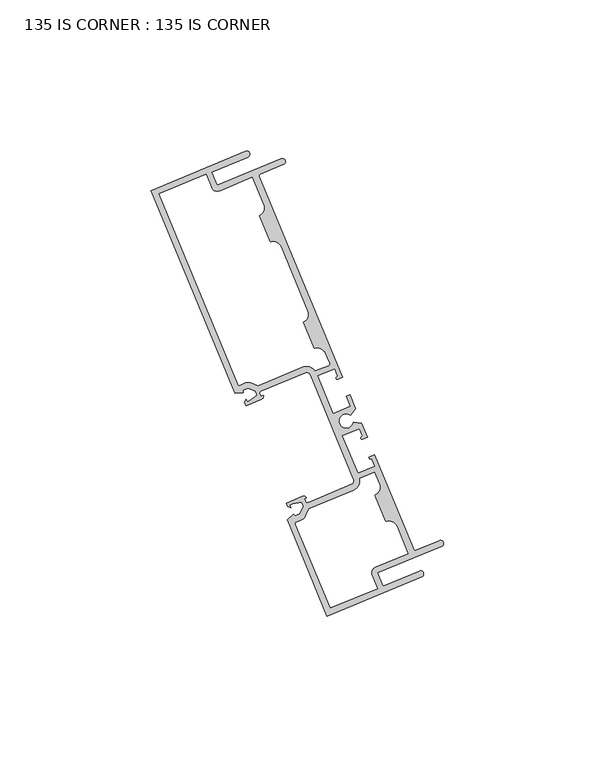
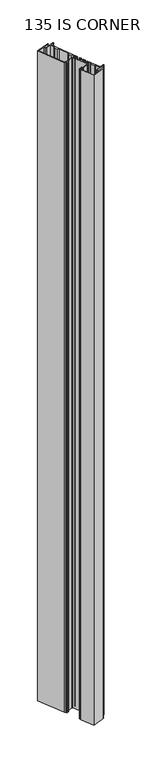
"""IFC4 building model written with IfcOpenShell, lengths in millimetres: plate geometry, 135 IS CORNER : 135 IS CORNER."""

from ifc_helpers import new_model, si_unit, frame, origin, place, context, project, spatial, polyline, circle_curve, source, transform, mapped, element, save
from ifc_brep_helpers import plane_surface, cylinder_surface, revolved_surface, extruded_surface, spline_curve, advanced_brep


def plate_135_is_corner_135_is_corner_d81ec4cd(model_context):
    return source(origin(), model_context, "Body", "AdvancedBrep", [
        advanced_brep(
        [(-269.9439047, 89.227782, 1710.2666667), (-301.2685576, 76.2436992, 1710.2666667), (-273.4814563, 9.2061335, 1710.2666667), (-270.7259527, 9.357618, 1710.2666667), (-270.7688117, 10.1372239, 1710.2666667), (-269.0825018, 10.8362001, 1710.2666667), (-266.6278781, 9.8189719, 1710.2666667), (-266.0634487, 8.4572618, 1710.2666667), (-268.5801592, 6.701499, 1710.2666667), (-269.4717973, 6.3319146, 1710.2666667), (-269.8328359, 7.2029356, 1710.2666667), (-270.2730943, 6.1393213, 1710.2666667), (-269.8346975, 5.0816703, 1710.2666667), (-264.6246881, 7.2412215, 1710.2666667), (-264.1025658, 8.5026099, 1710.2666667), (-264.8937479, 8.1746645, 1710.2666667), (-265.2536064, 9.0428384, 1710.2666667), (-264.91015, 9.87259, 1710.2666667), (-250.1695251, 15.9825857, 1710.2666667), (-248.5100219, 15.295673, 1710.2666667), (-234.1544893, -19.337661, 1710.2666667), (-234.841402, -20.9971642, 1710.2666667), (-249.3070563, -26.9931844, 1710.2666667), (-250.1368079, -26.6497281, 1710.2666667), (-250.4966664, -25.7815542, 1710.2666667), (-249.7742269, -25.4821027, 1710.2666667), (-251.0356153, -24.9599803, 1710.2666667), (-256.4518526, -27.2050131, 1710.2666667), (-256.0134558, -28.2626641, 1710.2666667), (-254.9498415, -28.7029225, 1710.2666667), (-255.3108801, -27.8319015, 1710.2666667), (-254.419242, -27.4623172, 1710.2666667), (-251.398411, -26.9227665, 1710.2666667), (-250.8339815, -28.2844766, 1710.2666667), (-251.8491713, -30.739944, 1710.2666667), (-253.5354812, -31.4389202, 1710.2666667), (-254.0567247, -30.8576049, 1710.2666667), (-256.1113737, -32.6999309, 1710.2666667), (-242.9131295, -64.5412574, 1710.2666667), (-211.5884766, -51.5571747, 1710.2666667), (-212.366549, -49.6800419, 1710.2666667), (-224.4036628, -54.669431, 1710.2666667), (-226.2321329, -50.258169, 1710.2666667), (-204.9970686, -41.4562253, 1710.2666667), (-205.775141, -39.5790926, 1710.2666667), (-214.0345251, -43.002611, 1710.2666667), (-227.2165316, -11.2004586, 1710.2666667), (-228.7534341, -11.8375053, 1710.2666667), (-228.0159669, -12.5884963, 1710.2666667), (-227.0198686, -14.9916259, 1710.2666667), (-232.7685877, -17.3744726, 1710.2666667), (-237.942769, -4.8915398, 1710.2666667), (-232.1940499, -2.5086931, 1710.2666667), (-231.19647, -4.915397, 1710.2666667), (-231.1863918, -5.9678911, 1710.2666667), (-229.6494894, -5.3308444, 1710.2666667), (-231.5694518, -0.6988532, 1710.2666667), (-234.1932171, -0.3540815, 1710.2666667), (-235.117178, 1.8750137, 1710.2666667), (-233.5067143, 3.9748752, 1710.2666667), (-235.4266768, 8.6068663, 1710.2666667), (-236.5998847, 8.1205711, 1710.2666667), (-235.2285322, 4.8121246, 1710.2666667), (-240.9772512, 2.429278, 1710.2666667), (-246.1514325, 14.9122108, 1710.2666667), (-240.4027135, 17.2950574, 1710.2666667), (-239.5883999, 15.3304912, 1710.2666667), (-239.6965584, 14.5632484, 1710.2666667), (-239.3950554, 13.8358594, 1710.2666667), (-237.8581529, 14.4729062, 1710.2666667), (-265.4262054, 80.9820075, 1710.2666667), (-265.1514403, 81.6458087, 1710.2666667), (-257.3613394, 84.8748091, 1710.2666667), (-258.1394118, 86.7519419, 1710.2666667), (-279.3744761, 77.9499981, 1710.2666667), (-281.2029461, 82.3612601, 1710.2666667), (-269.1658324, 87.3506492, 1710.2666667), (-267.7324979, 80.5759592, 1710.2666667), (-263.9928875, 71.5539899, 1710.2666667), (-265.5040955, 67.9030829, 1710.2666667), (-261.8568813, 59.1040231, 1710.2666667), (-258.2059742, 57.5928151, 1710.2666667), (-249.3991676, 36.3460187, 1710.2666667), (-250.9103756, 32.6951116, 1710.2666667), (-247.2631613, 23.8960519, 1710.2666667), (-243.6122543, 22.3848438, 1710.2666667), (-242.2166599, 19.0179129, 1710.2666667), (-242.491425, 18.3541116, 1710.2666667), (-246.8704688, 16.538996, 1710.2666667), (-250.9475975, 17.8597185, 1710.2666667), (-265.8336903, 11.6894263, 1710.2666667), (-268.0614399, 12.6126348, 1710.2666667), (-270.1036962, 12.6125587, 1710.2666667), (-271.8447367, 11.8908966, 1710.2666667), (-272.508538, 12.1656617, 1710.2666667), (-298.6133525, 75.1446388, 1710.2666667), (-283.0800789, 81.5831877, 1710.2666667), (-281.2516088, 77.1719257, 1710.2666667), (-278.5964037, 76.0728654, 1710.2666667), (-251.3142209, -32.7178509, 1710.2666667), (-249.8707811, -31.2731045, 1710.2666667), (-248.9494226, -29.0445892, 1710.2666667), (-234.0633297, -22.874297, 1710.2666667), (-232.1222284, -19.0313824, 1710.2666667), (-227.277573, -17.0232706, 1710.2666667), (-225.677686, -20.8830662, 1710.2666667), (-227.1888941, -24.5339732, 1710.2666667), (-223.5416798, -33.333033, 1710.2666667), (-219.8907728, -34.844241, 1710.2666667), (-216.1462994, -43.8779424, 1710.2666667), (-227.0102053, -48.3810363, 1710.2666667), (-228.1092656, -51.0362414, 1710.2666667), (-226.2807956, -55.4475034, 1710.2666667), (-241.8140691, -61.8860523, 1710.2666667), (-253.3300266, -34.1033143, 1710.2666667), (-253.0552615, -33.439513, 1710.2666667), (-269.9439047, 89.227782, 0.0), (-269.1658324, 87.3506492, 0.0), (-281.2029461, 82.3612601, 0.0), (-279.3744761, 77.9499981, 0.0), (-258.1394118, 86.7519419, 0.0), (-257.3613394, 84.8748091, 0.0), (-265.1514403, 81.6458087, 0.0), (-265.4262054, 80.9820075, 0.0), (-237.8581529, 14.4729062, 0.0), (-239.3950554, 13.8358594, 0.0), (-239.6965584, 14.5632484, 0.0), (-239.5883999, 15.3304912, 0.0), (-240.4027135, 17.2950574, 0.0), (-246.1514325, 14.9122108, 0.0), (-240.9772512, 2.429278, 0.0), (-235.2285322, 4.8121246, 0.0), (-236.5998847, 8.1205711, 0.0), (-235.4266768, 8.6068663, 0.0), (-233.5067143, 3.9748752, 0.0), (-235.117178, 1.8750137, 0.0), (-234.1932171, -0.3540815, 0.0), (-231.5694518, -0.6988532, 0.0), (-229.6494894, -5.3308444, 0.0), (-231.1863918, -5.9678911, 0.0), (-231.19647, -4.915397, 0.0), (-232.1940499, -2.5086931, 0.0), (-237.942769, -4.8915398, 0.0), (-232.7685877, -17.3744726, 0.0), (-227.0198686, -14.9916259, 0.0), (-228.0159669, -12.5884963, 0.0), (-228.7534341, -11.8375053, 0.0), (-227.2165316, -11.2004586, 0.0), (-214.0345251, -43.002611, 0.0), (-205.775141, -39.5790926, 0.0), (-204.9970686, -41.4562253, 0.0), (-226.2321329, -50.258169, 0.0), (-224.4036628, -54.669431, 0.0), (-212.366549, -49.6800419, 0.0), (-211.5884766, -51.5571747, 0.0), (-242.9131295, -64.5412574, 0.0), (-256.1113737, -32.6999309, 0.0), (-254.0567247, -30.8576049, 0.0), (-253.5354812, -31.4389202, 0.0), (-251.8491713, -30.739944, 0.0), (-250.8339815, -28.2844766, 0.0), (-251.398411, -26.9227665, 0.0), (-254.419242, -27.4623172, 0.0), (-255.3108801, -27.8319015, 0.0), (-254.9498415, -28.7029225, 0.0), (-256.0134558, -28.2626641, 0.0), (-256.4518526, -27.2050131, 0.0), (-251.0356153, -24.9599803, 0.0), (-249.7742269, -25.4821027, 0.0), (-250.4966664, -25.7815542, 0.0), (-250.1368079, -26.6497281, 0.0), (-249.3070563, -26.9931844, 0.0), (-234.841402, -20.9971642, 0.0), (-234.1544893, -19.337661, 0.0), (-248.5100219, 15.295673, 0.0), (-250.1695251, 15.9825857, 0.0), (-264.91015, 9.87259, 0.0), (-265.2536064, 9.0428384, 0.0), (-264.8937479, 8.1746645, 0.0), (-264.1025658, 8.5026099, 0.0), (-264.6246881, 7.2412215, 0.0), (-269.8346975, 5.0816703, 0.0), (-270.2730943, 6.1393213, 0.0), (-269.8328359, 7.2029356, 0.0), (-269.4717973, 6.3319146, 0.0), (-268.5801592, 6.701499, 0.0), (-266.0634487, 8.4572618, 0.0), (-266.6278781, 9.8189719, 0.0), (-269.0825018, 10.8362001, 0.0), (-270.7688117, 10.1372239, 0.0), (-270.7259527, 9.357618, 0.0), (-273.4814563, 9.2061335, 0.0), (-301.2685576, 76.2436992, 0.0), (-267.7324979, 80.5759592, 0.0), (-278.5964037, 76.0728654, 0.0), (-281.2516088, 77.1719257, 0.0), (-283.0800789, 81.5831877, 0.0), (-298.6133525, 75.1446388, 0.0), (-272.508538, 12.1656617, 0.0), (-271.8447367, 11.8908966, 0.0), (-270.1036962, 12.6125587, 0.0), (-268.0614399, 12.6126348, 0.0), (-265.8336903, 11.6894263, 0.0), (-250.9475975, 17.8597185, 0.0), (-246.8704688, 16.538996, 0.0), (-242.491425, 18.3541116, 0.0), (-242.2166599, 19.0179129, 0.0), (-243.6122543, 22.3848438, 0.0), (-247.2631613, 23.8960519, 0.0), (-250.9103756, 32.6951116, 0.0), (-249.3991676, 36.3460187, 0.0), (-258.2059742, 57.5928151, 0.0), (-261.8568813, 59.1040231, 0.0), (-265.5040955, 67.9030829, 0.0), (-263.9928875, 71.5539899, 0.0), (-251.3142209, -32.7178509, 0.0), (-253.0552615, -33.439513, 0.0), (-253.3300266, -34.1033143, 0.0), (-241.8140691, -61.8860523, 0.0), (-226.2807956, -55.4475034, 0.0), (-228.1092656, -51.0362414, 0.0), (-227.0102053, -48.3810363, 0.0), (-216.1462994, -43.8779424, 0.0), (-219.8907728, -34.844241, 0.0), (-223.5416798, -33.333033, 0.0), (-227.1888941, -24.5339732, 0.0), (-225.677686, -20.8830662, 0.0), (-227.277573, -17.0232706, 0.0), (-232.1222284, -19.0313824, 0.0), (-234.0633297, -22.874297, 0.0), (-248.9494226, -29.0445892, 0.0), (-249.8707811, -31.2731045, 0.0)],
        [
            (0, 1),
            (1, 2),
            (2, 3),
            (3, 4),
            (4, 5),
            (5, 6),
            (6, 7),
            (7, 8),
            (8, 9),
            (9, 10),
            (10, 11),
            (11, 12),
            (12, 13),
            (13, 14, circle_curve(frame((-264.9943211, 8.1329769, 1710.2666667), z_axis=(0.0, 0.0, 1.0), x_axis=(0.0, 1.0, 0.0)), 0.965327)),
            (14, 15),
            (15, 16),
            (16, 17, circle_curve(frame((-264.6670024, 9.285986, 1710.2666667), z_axis=(0.0, 0.0, -1.0), x_axis=(0.0, 1.0, 0.0)), 0.635)),
            (17, 18),
            (18, 19, circle_curve(frame((-249.6832298, 14.8093777, 1710.2666667), z_axis=(0.0, 0.0, -1.0), x_axis=(0.0, 1.0, 0.0)), 1.27)),
            (19, 20),
            (20, 21, circle_curve(frame((-235.3276973, -19.8239562, 1710.2666667), z_axis=(0.0, 0.0, -1.0), x_axis=(0.0, 1.0, 0.0)), 1.27)),
            (21, 22),
            (22, 23, circle_curve(frame((-249.550204, -26.4065805, 1710.2666667), z_axis=(0.0, 0.0, -1.0), x_axis=(0.0, 1.0, 0.0)), 0.635)),
            (23, 24),
            (24, 25),
            (25, 26, circle_curve(frame((-250.6659823, -25.8517357, 1710.2666667), z_axis=(0.0, 0.0, 1.0), x_axis=(0.0, 1.0, 0.0)), 0.965327)),
            (26, 27),
            (27, 28),
            (28, 29),
            (29, 30),
            (30, 31),
            (31, 32),
            (32, 33),
            (33, 34),
            (34, 35),
            (35, 36),
            (36, 37),
            (37, 38),
            (38, 39),
            (39, 40, circle_curve(frame((-211.9775128, -50.6186083, 1710.2666667), z_axis=(0.0, 0.0, 1.0), x_axis=(0.0, 1.0, 0.0)), 1.016)),
            (40, 41),
            (41, 42),
            (42, 43),
            (43, 44, circle_curve(frame((-205.3861048, -40.5176589, 1710.2666667), z_axis=(0.0, 0.0, 1.0), x_axis=(0.0, 1.0, 0.0)), 1.016)),
            (44, 45),
            (45, 46),
            (46, 47),
            (47, 48, spline_curve(3, [(-228.7534341, -11.8375053, 1710.2666667), (-228.958753175, -11.968378664, 1710.2666667), (-228.984993339, -12.012567093, 1710.2666667), (-229.019017216, -12.108346637, 1710.2666667), (-229.009482055, -12.151306921, 1710.2666667), (-228.952577529, -12.329049115, 1710.2666667), (-228.889980857, -12.496691864, 1710.2666667), (-228.610643669, -12.612248865, 1710.2666667), (-228.366223079, -12.510936345, 1710.2666667), (-228.0159669, -12.5884963, 1710.2666667)], [4, 2, 2, 2, 4], [0.0, 0.0005581775979920252, 0.0014141886036385456, 0.002659292844354508, 0.004147214338502557])),
            (48, 49),
            (49, 50),
            (50, 51),
            (51, 52),
            (52, 53),
            (53, 54, spline_curve(3, [(-231.19647, -4.915397, 1710.2666667), (-231.389147186, -5.21800308, 1710.2666667), (-231.633567805, -5.319315583, 1710.2666667), (-231.749241131, -5.598604621, 1710.2666667), (-231.674882653, -5.761372061, 1710.2666667), (-231.589356277, -5.927250485, 1710.2666667), (-231.565702896, -5.964358778, 1710.2666667), (-231.473896644, -6.007981677, 1710.2666667), (-231.424089946, -6.020648575, 1710.2666667), (-231.1863918, -5.9678911, 1710.2666667)], [4, 2, 2, 2, 4], [0.0, 0.0014879214941480494, 0.0027330257348640117, 0.003589036740510532, 0.004147214338502557])),
            (54, 55),
            (55, 56),
            (56, 57),
            (57, 58, circle_curve(frame((-236.5856506, -0.0397076, 1710.2666667), z_axis=(0.0, 0.0, -1.0), x_axis=(0.0, 1.0, 0.0)), 2.413)),
            (58, 59),
            (59, 60),
            (60, 61),
            (61, 62),
            (62, 63),
            (63, 64),
            (64, 65),
            (65, 66),
            (66, 67, circle_curve(frame((-240.2927482, 15.0385385, 1710.2666667), z_axis=(0.0, 0.0, -1.0), x_axis=(0.0, 1.0, 0.0)), 0.7624585)),
            (67, 68, circle_curve(frame((-239.5458069, 14.1995539, 1710.2666667), z_axis=(0.0, 0.0, 1.0), x_axis=(0.0, 1.0, 0.0)), 0.3937)),
            (68, 69),
            (69, 70),
            (70, 71, circle_curve(frame((-264.9569222, 81.1765256, 1710.2666667), z_axis=(0.0, 0.0, -1.0), x_axis=(0.0, 1.0, 0.0)), 0.508)),
            (71, 72),
            (72, 73, circle_curve(frame((-257.7503756, 85.8133755, 1710.2666667), z_axis=(0.0, 0.0, 1.0), x_axis=(0.0, 1.0, 0.0)), 1.016)),
            (73, 74),
            (74, 75),
            (75, 76),
            (76, 0, circle_curve(frame((-269.5548685, 88.2892156, 1710.2666667), z_axis=(0.0, 0.0, 1.0), x_axis=(0.0, 1.0, 0.0)), 1.016)),
            (77, 78),
            (78, 79, circle_curve(frame((-266.5739451, 70.4841404, 1710.2666667), z_axis=(0.0, 0.0, -1.0), x_axis=(0.0, 1.0, 0.0)), 2.794)),
            (79, 80),
            (80, 81, circle_curve(frame((-260.7870318, 56.5229655, 1710.2666667), z_axis=(0.0, 0.0, -1.0), x_axis=(0.0, 1.0, 0.0)), 2.794)),
            (81, 82),
            (82, 83, circle_curve(frame((-251.9802251, 35.2761692, 1710.2666667), z_axis=(0.0, 0.0, -1.0), x_axis=(0.0, 1.0, 0.0)), 2.794)),
            (83, 84),
            (84, 85, circle_curve(frame((-246.1933118, 21.3149943, 1710.2666667), z_axis=(0.0, 0.0, -1.0), x_axis=(0.0, 1.0, 0.0)), 2.794)),
            (85, 86),
            (86, 87, circle_curve(frame((-242.6859431, 18.8233948, 1710.2666667), z_axis=(0.0, 0.0, -1.0), x_axis=(0.0, 1.0, 0.0)), 0.508)),
            (87, 88),
            (88, 89, circle_curve(frame((-249.6832298, 14.8093777, 1710.2666667), z_axis=(0.0, 0.0, 1.0), x_axis=(0.0, 1.0, 0.0)), 3.302)),
            (89, 90),
            (90, 91),
            (91, 92, circle_curve(frame((-269.0824762, 10.1488219, 1710.2666667), z_axis=(0.0, 0.0, 1.0), x_axis=(0.0, 1.0, 0.0)), 2.667)),
            (92, 93),
            (93, 94, circle_curve(frame((-272.0392548, 12.3601798, 1710.2666667), z_axis=(0.0, 0.0, -1.0), x_axis=(0.0, 1.0, 0.0)), 0.508)),
            (94, 95),
            (95, 96),
            (96, 97),
            (97, 98, circle_curve(frame((-279.3744761, 77.9499981, 1710.2666667), z_axis=(0.0, 0.0, 1.0), x_axis=(0.0, 1.0, 0.0)), 2.032)),
            (98, 77),
            (99, 100, circle_curve(frame((-252.3354409, -30.2541142, 1710.2666667), z_axis=(0.0, 0.0, 1.0), x_axis=(0.0, 1.0, 0.0)), 2.667)),
            (100, 101),
            (101, 102),
            (102, 103, circle_curve(frame((-235.3276973, -19.8239562, 1710.2666667), z_axis=(0.0, 0.0, 1.0), x_axis=(0.0, 1.0, 0.0)), 3.302)),
            (103, 104),
            (104, 105),
            (105, 106, circle_curve(frame((-228.2587436, -21.9529157, 1710.2666667), z_axis=(0.0, 0.0, -1.0), x_axis=(0.0, 1.0, 0.0)), 2.794)),
            (106, 107),
            (107, 108, circle_curve(frame((-222.4718303, -35.9140906, 1710.2666667), z_axis=(0.0, 0.0, -1.0), x_axis=(0.0, 1.0, 0.0)), 2.794)),
            (108, 109),
            (109, 110),
            (110, 111, circle_curve(frame((-226.2321329, -50.258169, 1710.2666667), z_axis=(0.0, 0.0, 1.0), x_axis=(0.0, 1.0, 0.0)), 2.032)),
            (111, 112),
            (112, 113),
            (113, 114),
            (114, 115, circle_curve(frame((-252.8607434, -33.9087962, 1710.2666667), z_axis=(0.0, 0.0, -1.0), x_axis=(0.0, 1.0, 0.0)), 0.508)),
            (115, 99),
            (116, 117, circle_curve(frame((-269.5548685, 88.2892156, 0.0), z_axis=(0.0, 0.0, -1.0), x_axis=(0.0, 1.0, 0.0)), 1.016)),
            (117, 118),
            (118, 119),
            (119, 120),
            (120, 121, circle_curve(frame((-257.7503756, 85.8133755, 0.0), z_axis=(0.0, 0.0, -1.0), x_axis=(0.0, 1.0, 0.0)), 1.016)),
            (121, 122),
            (122, 123, circle_curve(frame((-264.9569222, 81.1765256, 0.0), z_axis=(0.0, 0.0, 1.0), x_axis=(0.0, 1.0, 0.0)), 0.508)),
            (123, 124),
            (124, 125),
            (125, 126, circle_curve(frame((-239.5458069, 14.1995539, 0.0), z_axis=(0.0, 0.0, -1.0), x_axis=(0.0, 1.0, 0.0)), 0.3937)),
            (126, 127, circle_curve(frame((-240.2927482, 15.0385385, 0.0), z_axis=(0.0, 0.0, 1.0), x_axis=(0.0, 1.0, 0.0)), 0.7624585)),
            (127, 128),
            (128, 129),
            (129, 130),
            (130, 131),
            (131, 132),
            (132, 133),
            (133, 134),
            (134, 135),
            (135, 136, circle_curve(frame((-236.5856506, -0.0397076, 0.0), z_axis=(0.0, 0.0, 1.0), x_axis=(0.0, 1.0, 0.0)), 2.413)),
            (136, 137),
            (137, 138),
            (138, 139),
            (139, 140, spline_curve(3, [(-231.1863918, -5.9678911, 0.0), (-231.424089946, -6.020648575, 0.0), (-231.473896644, -6.007981677, 0.0), (-231.565702896, -5.964358778, 0.0), (-231.589356277, -5.927250485, 0.0), (-231.674882653, -5.761372061, 0.0), (-231.749241131, -5.598604621, 0.0), (-231.633567805, -5.319315583, 0.0), (-231.389147186, -5.21800308, 0.0), (-231.19647, -4.915397, 0.0)], [4, 2, 2, 2, 4], [0.0, 0.0005581775979920252, 0.0014141886036385456, 0.002659292844354508, 0.004147214338502557])),
            (140, 141),
            (141, 142),
            (142, 143),
            (143, 144),
            (144, 145),
            (145, 146, spline_curve(3, [(-228.0159669, -12.5884963, 0.0), (-228.366223079, -12.510936345, 0.0), (-228.610643669, -12.612248865, 0.0), (-228.889980857, -12.496691864, 0.0), (-228.952577529, -12.329049115, 0.0), (-229.009482055, -12.151306921, 0.0), (-229.019017216, -12.108346637, 0.0), (-228.984993339, -12.012567093, 0.0), (-228.958753175, -11.968378664, 0.0), (-228.7534341, -11.8375053, 0.0)], [4, 2, 2, 2, 4], [0.0, 0.0014879214941480494, 0.0027330257348640117, 0.003589036740510532, 0.004147214338502557])),
            (146, 147),
            (147, 148),
            (148, 149),
            (149, 150, circle_curve(frame((-205.3861048, -40.5176589, 0.0), z_axis=(0.0, 0.0, -1.0), x_axis=(0.0, 1.0, 0.0)), 1.016)),
            (150, 151),
            (151, 152),
            (152, 153),
            (153, 154, circle_curve(frame((-211.9775128, -50.6186083, 0.0), z_axis=(0.0, 0.0, -1.0), x_axis=(0.0, 1.0, 0.0)), 1.016)),
            (154, 155),
            (155, 156),
            (156, 157),
            (157, 158),
            (158, 159),
            (159, 160),
            (160, 161),
            (161, 162),
            (162, 163),
            (163, 164),
            (164, 165),
            (165, 166),
            (166, 167),
            (167, 168, circle_curve(frame((-250.6659823, -25.8517357, 0.0), z_axis=(0.0, 0.0, -1.0), x_axis=(0.0, 1.0, 0.0)), 0.965327)),
            (168, 169),
            (169, 170),
            (170, 171, circle_curve(frame((-249.550204, -26.4065805, 0.0), z_axis=(0.0, 0.0, 1.0), x_axis=(0.0, 1.0, 0.0)), 0.635)),
            (171, 172),
            (172, 173, circle_curve(frame((-235.3276973, -19.8239562, 0.0), z_axis=(0.0, 0.0, 1.0), x_axis=(0.0, 1.0, 0.0)), 1.27)),
            (173, 174),
            (174, 175, circle_curve(frame((-249.6832298, 14.8093777, 0.0), z_axis=(0.0, 0.0, 1.0), x_axis=(0.0, 1.0, 0.0)), 1.27)),
            (175, 176),
            (176, 177, circle_curve(frame((-264.6670024, 9.285986, 0.0), z_axis=(0.0, 0.0, 1.0), x_axis=(0.0, 1.0, 0.0)), 0.635)),
            (177, 178),
            (178, 179),
            (179, 180, circle_curve(frame((-264.9943211, 8.1329769, 0.0), z_axis=(0.0, 0.0, -1.0), x_axis=(0.0, 1.0, 0.0)), 0.965327)),
            (180, 181),
            (181, 182),
            (182, 183),
            (183, 184),
            (184, 185),
            (185, 186),
            (186, 187),
            (187, 188),
            (188, 189),
            (189, 190),
            (190, 191),
            (191, 192),
            (192, 116),
            (193, 194),
            (194, 195, circle_curve(frame((-279.3744761, 77.9499981, 0.0), z_axis=(0.0, 0.0, -1.0), x_axis=(0.0, 1.0, 0.0)), 2.032)),
            (195, 196),
            (196, 197),
            (197, 198),
            (198, 199, circle_curve(frame((-272.0392548, 12.3601798, 0.0), z_axis=(0.0, 0.0, 1.0), x_axis=(0.0, 1.0, 0.0)), 0.508)),
            (199, 200),
            (200, 201, circle_curve(frame((-269.0824762, 10.1488219, 0.0), z_axis=(0.0, 0.0, -1.0), x_axis=(0.0, 1.0, 0.0)), 2.667)),
            (201, 202),
            (202, 203),
            (203, 204, circle_curve(frame((-249.6832298, 14.8093777, 0.0), z_axis=(0.0, 0.0, -1.0), x_axis=(0.0, 1.0, 0.0)), 3.302)),
            (204, 205),
            (205, 206, circle_curve(frame((-242.6859431, 18.8233948, 0.0), z_axis=(0.0, 0.0, 1.0), x_axis=(0.0, 1.0, 0.0)), 0.508)),
            (206, 207),
            (207, 208, circle_curve(frame((-246.1933118, 21.3149943, 0.0), z_axis=(0.0, 0.0, 1.0), x_axis=(0.0, 1.0, 0.0)), 2.794)),
            (208, 209),
            (209, 210, circle_curve(frame((-251.9802251, 35.2761692, 0.0), z_axis=(0.0, 0.0, 1.0), x_axis=(0.0, 1.0, 0.0)), 2.794)),
            (210, 211),
            (211, 212, circle_curve(frame((-260.7870318, 56.5229655, 0.0), z_axis=(0.0, 0.0, 1.0), x_axis=(0.0, 1.0, 0.0)), 2.794)),
            (212, 213),
            (213, 214, circle_curve(frame((-266.5739451, 70.4841404, 0.0), z_axis=(0.0, 0.0, 1.0), x_axis=(0.0, 1.0, 0.0)), 2.794)),
            (214, 193),
            (215, 216),
            (216, 217, circle_curve(frame((-252.8607434, -33.9087962, 0.0), z_axis=(0.0, 0.0, 1.0), x_axis=(0.0, 1.0, 0.0)), 0.508)),
            (217, 218),
            (218, 219),
            (219, 220),
            (220, 221, circle_curve(frame((-226.2321329, -50.258169, 0.0), z_axis=(0.0, 0.0, -1.0), x_axis=(0.0, 1.0, 0.0)), 2.032)),
            (221, 222),
            (222, 223),
            (223, 224, circle_curve(frame((-222.4718303, -35.9140906, 0.0), z_axis=(0.0, 0.0, 1.0), x_axis=(0.0, 1.0, 0.0)), 2.794)),
            (224, 225),
            (225, 226, circle_curve(frame((-228.2587436, -21.9529157, 0.0), z_axis=(0.0, 0.0, 1.0), x_axis=(0.0, 1.0, 0.0)), 2.794)),
            (226, 227),
            (227, 228),
            (228, 229, circle_curve(frame((-235.3276973, -19.8239562, 0.0), z_axis=(0.0, 0.0, -1.0), x_axis=(0.0, 1.0, 0.0)), 3.302)),
            (229, 230),
            (230, 231),
            (231, 215, circle_curve(frame((-252.3354409, -30.2541142, 0.0), z_axis=(0.0, 0.0, -1.0), x_axis=(0.0, 1.0, 0.0)), 2.667)),
            (76, 117),
            (116, 0),
            (75, 118),
            (74, 119),
            (73, 120),
            (72, 121),
            (71, 122),
            (70, 123),
            (69, 124),
            (68, 125),
            (67, 126),
            (66, 127),
            (65, 128),
            (64, 129),
            (63, 130),
            (62, 131),
            (61, 132),
            (60, 133),
            (59, 134),
            (58, 135),
            (57, 136),
            (56, 137),
            (55, 138),
            (54, 139),
            (53, 140),
            (52, 141),
            (51, 142),
            (50, 143),
            (49, 144),
            (48, 145),
            (47, 146),
            (46, 147),
            (45, 148),
            (44, 149),
            (43, 150),
            (42, 151),
            (41, 152),
            (40, 153),
            (39, 154),
            (38, 155),
            (37, 156),
            (36, 157),
            (35, 158),
            (34, 159),
            (33, 160),
            (32, 161),
            (31, 162),
            (30, 163),
            (29, 164),
            (28, 165),
            (27, 166),
            (26, 167),
            (25, 168),
            (24, 169),
            (23, 170),
            (22, 171),
            (21, 172),
            (20, 173),
            (19, 174),
            (18, 175),
            (17, 176),
            (16, 177),
            (15, 178),
            (14, 179),
            (13, 180),
            (12, 181),
            (11, 182),
            (10, 183),
            (9, 184),
            (8, 185),
            (7, 186),
            (6, 187),
            (5, 188),
            (4, 189),
            (3, 190),
            (2, 191),
            (1, 192),
            (98, 194),
            (193, 77),
            (97, 195),
            (96, 196),
            (95, 197),
            (94, 198),
            (93, 199),
            (92, 200),
            (91, 201),
            (90, 202),
            (89, 203),
            (88, 204),
            (87, 205),
            (86, 206),
            (85, 207),
            (84, 208),
            (83, 209),
            (82, 210),
            (81, 211),
            (80, 212),
            (79, 213),
            (78, 214),
            (115, 216),
            (215, 99),
            (114, 217),
            (113, 218),
            (112, 219),
            (111, 220),
            (110, 221),
            (109, 222),
            (108, 223),
            (107, 224),
            (106, 225),
            (105, 226),
            (104, 227),
            (103, 228),
            (102, 229),
            (101, 230),
            (100, 231),
        ],
        [
            plane_surface(frame((-203.2, 0.0, 1710.2666667), z_axis=(0.0, 0.0, 1.0), x_axis=(0.0, 1.0, 0.0))),
            plane_surface(frame((-203.2, 0.0, 0.0), z_axis=(0.0, 0.0, -1.0), x_axis=(0.0, 1.0, 0.0))),
            cylinder_surface(frame((-269.5548685, 88.2892156, 1710.2666667), z_axis=(0.0, 0.0, 1.0), x_axis=(0.0, 1.0, 0.0)), 1.016),
            plane_surface(frame((-269.1658324, 87.3506492, 1710.2666667), z_axis=(0.3829096331000232, -0.9237858046534411, 0.0), x_axis=(0.0, 0.0, -1.0))),
            plane_surface(frame((-281.2029461, 82.3612601, 1710.2666667), z_axis=(0.9237858046534431, 0.38290963310001846, 0.0), x_axis=(0.0, 0.0, -1.0))),
            plane_surface(frame((-279.3744761, 77.9499981, 1710.2666667), z_axis=(-0.3829096331000223, 0.9237858046534415, 0.0), x_axis=(0.0, 0.0, -1.0))),
            cylinder_surface(frame((-257.7503756, 85.8133755, 1710.2666667), z_axis=(0.0, 0.0, 1.0), x_axis=(0.0, 1.0, 0.0)), 1.016),
            plane_surface(frame((-257.3613394, 84.8748091, 1710.2666667), z_axis=(0.38290963310002574, -0.9237858046534401, 0.0), x_axis=(0.0, 0.0, -1.0))),
            revolved_surface(polyline([(-264.9569222, 81.6845256, 0.0), (-264.9569222, 81.6845256, 1710.2666667)]), (-264.9569222, 81.1765256, 1710.2666667), (0.0, 0.0, -1.0)),
            plane_surface(frame((-265.4262054, 80.9820075, 1710.2666667), z_axis=(0.9237858046534414, 0.3829096331000225, 0.0), x_axis=(0.0, 0.0, -1.0))),
            plane_surface(frame((-237.8581529, 14.4729062, 1710.2666667), z_axis=(0.3829096331000391, -0.9237858046534345, 0.0), x_axis=(0.0, 0.0, -1.0))),
            cylinder_surface(frame((-239.5458069, 14.1995539, 1710.2666667), z_axis=(0.0, 0.0, 1.0), x_axis=(0.0, 1.0, 0.0)), 0.3937),
            revolved_surface(polyline([(-240.2927482, 15.800996999999999, 0.0), (-240.2927482, 15.800996999999999, 1710.2666667)]), (-240.2927482, 15.0385385, 1710.2666667), (0.0, 0.0, -1.0)),
            plane_surface(frame((-239.5883999, 15.3304912, 1710.2666667), z_axis=(-0.9237858046534377, -0.38290963310003123, 0.0), x_axis=(0.0, 0.0, -1.0))),
            plane_surface(frame((-240.4027135, 17.2950574, 1710.2666667), z_axis=(0.38290963310001935, -0.9237858046534427, 0.0), x_axis=(0.0, 0.0, -1.0))),
            plane_surface(frame((-246.1514325, 14.9122108, 1710.2666667), z_axis=(0.9237858046534428, 0.3829096331000191, 0.0), x_axis=(0.0, 0.0, -1.0))),
            plane_surface(frame((-240.9772512, 2.429278, 1710.2666667), z_axis=(-0.38290963310002296, 0.9237858046534412, 0.0), x_axis=(0.0, 0.0, -1.0))),
            plane_surface(frame((-235.2285322, 4.8121246, 1710.2666667), z_axis=(-0.923785804653449, -0.3829096331000043, 0.0), x_axis=(0.0, 0.0, -1.0))),
            plane_surface(frame((-236.5998847, 8.1205711, 1710.2666667), z_axis=(-0.3829096331000246, 0.9237858046534405, 0.0), x_axis=(0.0, 0.0, -1.0))),
            plane_surface(frame((-235.4266768, 8.6068663, 1710.2666667), z_axis=(0.92378580465344, 0.382909633100026, 0.0), x_axis=(0.0, 0.0, -1.0))),
            plane_surface(frame((-233.5067143, 3.9748752, 1710.2666667), z_axis=(0.7935023719451585, -0.6085671579352664, 0.0), x_axis=(0.0, 0.0, -1.0))),
            revolved_surface(polyline([(-236.5856506, 2.3732924, 0.0), (-236.5856506, 2.3732924, 1710.2666667)]), (-236.5856506, -0.0397076, 1710.2666667), (0.0, 0.0, -1.0)),
            plane_surface(frame((-234.1932171, -0.3540815, 1710.2666667), z_axis=(0.13028343270822812, 0.9914767910353528, 0.0), x_axis=(0.0, 0.0, -1.0))),
            plane_surface(frame((-231.5694518, -0.6988532, 1710.2666667), z_axis=(0.9237858046534393, 0.38290963310002774, 0.0), x_axis=(0.0, 0.0, -1.0))),
            plane_surface(frame((-229.6494894, -5.3308444, 1710.2666667), z_axis=(0.38290963310000864, -0.9237858046534472, 0.0), x_axis=(0.0, 0.0, -1.0))),
            extruded_surface(spline_curve(3, [(-231.1863918, -5.9678911, 1710.2666667), (-231.424089946, -6.020648575, 1710.2666667), (-231.473896644, -6.007981677, 1710.2666667), (-231.565702896, -5.964358778, 1710.2666667), (-231.589356277, -5.927250485, 1710.2666667), (-231.674882653, -5.761372061, 1710.2666667), (-231.749241131, -5.598604621, 1710.2666667), (-231.633567805, -5.319315583, 1710.2666667), (-231.389147186, -5.21800308, 1710.2666667), (-231.19647, -4.915397, 1710.2666667)], [4, 2, 2, 2, 4], [0.0, 0.0005581775979920252, 0.0014141886036385456, 0.002659292844354508, 0.004147214338502557]), (0.0, 0.0, -1710.2666667), 1710.2666667),
            plane_surface(frame((-231.19647, -4.915397, 1710.2666667), z_axis=(-0.9237858046534458, -0.38290963310001175, 0.0), x_axis=(0.0, 0.0, -1.0))),
            plane_surface(frame((-232.1940499, -2.5086931, 1710.2666667), z_axis=(0.38290963310001963, -0.9237858046534425, 0.0), x_axis=(0.0, 0.0, -1.0))),
            plane_surface(frame((-237.942769, -4.8915398, 1710.2666667), z_axis=(0.9237858046534408, 0.38290963310002374, 0.0), x_axis=(0.0, 0.0, -1.0))),
            plane_surface(frame((-232.7685877, -17.3744726, 1710.2666667), z_axis=(-0.38290963310003373, 0.9237858046534367, 0.0), x_axis=(0.0, 0.0, -1.0))),
            plane_surface(frame((-227.0198686, -14.9916259, 1710.2666667), z_axis=(-0.923785804653449, -0.38290963310000425, 0.0), x_axis=(0.0, 0.0, -1.0))),
            extruded_surface(spline_curve(3, [(-228.0159669, -12.5884963, 1710.2666667), (-228.366223079, -12.510936345, 1710.2666667), (-228.610643669, -12.612248865, 1710.2666667), (-228.889980857, -12.496691864, 1710.2666667), (-228.952577529, -12.329049115, 1710.2666667), (-229.009482055, -12.151306921, 1710.2666667), (-229.019017216, -12.108346637, 1710.2666667), (-228.984993339, -12.012567093, 1710.2666667), (-228.958753175, -11.968378664, 1710.2666667), (-228.7534341, -11.8375053, 1710.2666667)], [4, 2, 2, 2, 4], [0.0, 0.0014879214941480494, 0.0027330257348640117, 0.003589036740510532, 0.004147214338502557]), (0.0, 0.0, -1710.2666667), 1710.2666667),
            plane_surface(frame((-228.7534341, -11.8375053, 1710.2666667), z_axis=(-0.382909633100014, 0.923785804653445, 0.0), x_axis=(0.0, 0.0, -1.0))),
            plane_surface(frame((-227.2165316, -11.2004586, 1710.2666667), z_axis=(0.9237858046534411, 0.3829096331000232, 0.0), x_axis=(0.0, 0.0, -1.0))),
            plane_surface(frame((-214.0345251, -43.002611, 1710.2666667), z_axis=(-0.3829096331000259, 0.92378580465344, 0.0), x_axis=(0.0, 0.0, -1.0))),
            cylinder_surface(frame((-205.3861048, -40.5176589, 1710.2666667), z_axis=(0.0, 0.0, 1.0), x_axis=(0.0, 1.0, 0.0)), 1.016),
            plane_surface(frame((-204.9970686, -41.4562253, 1710.2666667), z_axis=(0.38290963310002174, -0.9237858046534417, 0.0), x_axis=(0.0, 0.0, -1.0))),
            plane_surface(frame((-226.2321329, -50.258169, 1710.2666667), z_axis=(0.9237858046534442, 0.382909633100016, 0.0), x_axis=(0.0, 0.0, -1.0))),
            plane_surface(frame((-224.4036628, -54.669431, 1710.2666667), z_axis=(-0.3829096331000192, 0.9237858046534427, 0.0), x_axis=(0.0, 0.0, -1.0))),
            cylinder_surface(frame((-211.9775128, -50.6186083, 1710.2666667), z_axis=(0.0, 0.0, 1.0), x_axis=(0.0, 1.0, 0.0)), 1.016),
            plane_surface(frame((-211.5884766, -51.5571747, 1710.2666667), z_axis=(0.3829096331000222, -0.9237858046534415, 0.0), x_axis=(0.0, 0.0, -1.0))),
            plane_surface(frame((-242.9131295, -64.5412574, 1710.2666667), z_axis=(-0.9237858046534417, -0.38290963310002163, 0.0), x_axis=(0.0, 0.0, -1.0))),
            plane_surface(frame((-256.1113737, -32.6999309, 1710.2666667), z_axis=(-0.667590587332623, 0.7445285808515907, 0.0), x_axis=(0.0, 0.0, -1.0))),
            plane_surface(frame((-254.0567247, -30.8576049, 1710.2666667), z_axis=(0.744528580851578, 0.6675905873326372, 0.0), x_axis=(0.0, 0.0, -1.0))),
            plane_surface(frame((-253.5354812, -31.4389202, 1710.2666667), z_axis=(-0.3829096330999987, 0.9237858046534513, 0.0), x_axis=(0.0, 0.0, -1.0))),
            plane_surface(frame((-251.8491713, -30.739944, 1710.2666667), z_axis=(-0.9241319012056185, 0.3820735913068176, 0.0), x_axis=(0.0, 0.0, -1.0))),
            plane_surface(frame((-250.8339815, -28.2844766, 1710.2666667), z_axis=(-0.9237858046534214, -0.3829096331000706, 0.0), x_axis=(0.0, 0.0, -1.0))),
            plane_surface(frame((-251.398411, -26.9227665, 1710.2666667), z_axis=(0.17582744552065185, -0.9844210021132637, 0.0), x_axis=(0.0, 0.0, -1.0))),
            plane_surface(frame((-254.419242, -27.4623172, 1710.2666667), z_axis=(0.38290963310001097, -0.9237858046534462, 0.0), x_axis=(0.0, 0.0, -1.0))),
            plane_surface(frame((-255.3108801, -27.8319015, 1710.2666667), z_axis=(0.9237858046534382, 0.38290963310003023, 0.0), x_axis=(0.0, 0.0, -1.0))),
            plane_surface(frame((-254.9498415, -28.7029225, 1710.2666667), z_axis=(-0.3824572086876555, -0.9239732049809926, 0.0), x_axis=(0.0, 0.0, -1.0))),
            plane_surface(frame((-256.0134558, -28.2626641, 1710.2666667), z_axis=(-0.9237858046534363, -0.38290963310003495, 0.0), x_axis=(0.0, 0.0, -1.0))),
            plane_surface(frame((-256.4518526, -27.2050131, 1710.2666667), z_axis=(-0.3829096331000162, 0.923785804653444, 0.0), x_axis=(0.0, 0.0, -1.0))),
            cylinder_surface(frame((-250.6659823, -25.8517357, 1710.2666667), z_axis=(0.0, 0.0, 1.0), x_axis=(0.0, 1.0, 0.0)), 0.965327),
            plane_surface(frame((-249.7742269, -25.4821027, 1710.2666667), z_axis=(0.38290963310002957, -0.9237858046534385, 0.0), x_axis=(0.0, 0.0, -1.0))),
            plane_surface(frame((-250.4966664, -25.7815542, 1710.2666667), z_axis=(0.9237858046534216, 0.38290963310007015, 0.0), x_axis=(0.0, 0.0, -1.0))),
            revolved_surface(polyline([(-249.550204, -25.7715805, 0.0), (-249.550204, -25.7715805, 1710.2666667)]), (-249.550204, -26.4065805, 1710.2666667), (0.0, 0.0, -1.0)),
            plane_surface(frame((-249.3070563, -26.9931844, 1710.2666667), z_axis=(-0.3829096331000222, 0.9237858046534415, 0.0), x_axis=(0.0, 0.0, -1.0))),
            revolved_surface(polyline([(-235.3276973, -18.553956200000002, 0.0), (-235.3276973, -18.553956200000002, 1710.2666667)]), (-235.3276973, -19.8239562, 1710.2666667), (0.0, 0.0, -1.0)),
            plane_surface(frame((-234.1544893, -19.337661, 1710.2666667), z_axis=(-0.9237858046534423, -0.38290963310002035, 0.0), x_axis=(0.0, 0.0, -1.0))),
            revolved_surface(polyline([(-249.6832298, 16.079377700000002, 0.0), (-249.6832298, 16.079377700000002, 1710.2666667)]), (-249.6832298, 14.8093777, 1710.2666667), (0.0, 0.0, -1.0)),
            plane_surface(frame((-250.1695251, 15.9825857, 1710.2666667), z_axis=(0.3829096331000216, -0.9237858046534417, 0.0), x_axis=(0.0, 0.0, -1.0))),
            revolved_surface(polyline([(-264.6670024, 9.920986, 0.0), (-264.6670024, 9.920986, 1710.2666667)]), (-264.6670024, 9.285986, 1710.2666667), (0.0, 0.0, -1.0)),
            plane_surface(frame((-265.2536064, 9.0428384, 1710.2666667), z_axis=(0.9237858046534263, 0.382909633100059, 0.0), x_axis=(0.0, 0.0, -1.0))),
            plane_surface(frame((-264.8937479, 8.1746645, 1710.2666667), z_axis=(-0.3829096330999785, 0.9237858046534597, 0.0), x_axis=(0.0, 0.0, -1.0))),
            cylinder_surface(frame((-264.9943211, 8.1329769, 1710.2666667), z_axis=(0.0, 0.0, 1.0), x_axis=(0.0, 1.0, 0.0)), 0.965327),
            plane_surface(frame((-264.6246881, 7.2412215, 1710.2666667), z_axis=(0.3829096331000043, -0.923785804653449, 0.0), x_axis=(0.0, 0.0, -1.0))),
            plane_surface(frame((-269.8346975, 5.0816703, 1710.2666667), z_axis=(-0.9237858046534576, -0.3829096330999834, 0.0), x_axis=(0.0, 0.0, -1.0))),
            plane_surface(frame((-270.2730943, 6.1393213, 1710.2666667), z_axis=(-0.9239732049810024, 0.38245720868763156, 0.0), x_axis=(0.0, 0.0, -1.0))),
            plane_surface(frame((-269.8328359, 7.2029356, 1710.2666667), z_axis=(0.923785804653464, 0.38290963309996806, 0.0), x_axis=(0.0, 0.0, -1.0))),
            plane_surface(frame((-269.4717973, 6.3319146, 1710.2666667), z_axis=(-0.38290963309999493, 0.9237858046534528, 0.0), x_axis=(0.0, 0.0, -1.0))),
            plane_surface(frame((-268.5801592, 6.701499, 1710.2666667), z_axis=(-0.5721636785109531, 0.8201394546007494, 0.0), x_axis=(0.0, 0.0, -1.0))),
            plane_surface(frame((-266.0634487, 8.4572618, 1710.2666667), z_axis=(-0.9237858046534225, -0.3829096331000681, 0.0), x_axis=(0.0, 0.0, -1.0))),
            plane_surface(frame((-266.6278781, 9.8189719, 1710.2666667), z_axis=(-0.38284076015321744, -0.9238143495125559, 0.0), x_axis=(0.0, 0.0, -1.0))),
            plane_surface(frame((-269.0825018, 10.8362001, 1710.2666667), z_axis=(0.38290963310001946, -0.9237858046534427, 0.0), x_axis=(0.0, 0.0, -1.0))),
            plane_surface(frame((-270.7688117, 10.1372239, 1710.2666667), z_axis=(0.9984922785722319, 0.05489234583830893, 0.0), x_axis=(0.0, 0.0, -1.0))),
            plane_surface(frame((-270.7259527, 9.357618, 1710.2666667), z_axis=(0.05489234583826329, -0.9984922785722344, 0.0), x_axis=(0.0, 0.0, -1.0))),
            plane_surface(frame((-273.4814563, 9.2061335, 1710.2666667), z_axis=(-0.9237858046534411, -0.38290963310002313, 0.0), x_axis=(0.0, 0.0, -1.0))),
            plane_surface(frame((-301.2685576, 76.2436992, 1710.2666667), z_axis=(-0.3829096331000209, 0.9237858046534421, 0.0), x_axis=(0.0, 0.0, -1.0))),
            plane_surface(frame((-267.7324979, 80.5759592, 1710.2666667), z_axis=(0.3829096331000224, -0.9237858046534415, 0.0), x_axis=(0.0, 0.0, -1.0))),
            cylinder_surface(frame((-279.3744761, 77.9499981, 1710.2666667), z_axis=(0.0, 0.0, 1.0), x_axis=(0.0, 1.0, 0.0)), 2.032),
            plane_surface(frame((-281.2516088, 77.1719257, 1710.2666667), z_axis=(-0.9237858046534404, -0.3829096331000251, 0.0), x_axis=(0.0, 0.0, -1.0))),
            plane_surface(frame((-283.0800789, 81.5831877, 1710.2666667), z_axis=(0.38290963310001835, -0.9237858046534431, 0.0), x_axis=(0.0, 0.0, -1.0))),
            plane_surface(frame((-298.6133525, 75.1446388, 1710.2666667), z_axis=(0.9237858046534405, 0.38290963310002474, 0.0), x_axis=(0.0, 0.0, -1.0))),
            revolved_surface(polyline([(-272.0392548, 12.8681798, 0.0), (-272.0392548, 12.8681798, 1710.2666667)]), (-272.0392548, 12.3601798, 1710.2666667), (0.0, 0.0, -1.0)),
            plane_surface(frame((-271.8447367, 11.8908966, 1710.2666667), z_axis=(-0.38290963310003767, 0.9237858046534352, 0.0), x_axis=(0.0, 0.0, -1.0))),
            cylinder_surface(frame((-269.0824762, 10.1488219, 1710.2666667), z_axis=(0.0, 0.0, 1.0), x_axis=(0.0, 1.0, 0.0)), 2.667),
            plane_surface(frame((-268.0614399, 12.6126348, 1710.2666667), z_axis=(0.3828407601531041, 0.9238143495126028, 0.0), x_axis=(0.0, 0.0, -1.0))),
            plane_surface(frame((-265.8336903, 11.6894263, 1710.2666667), z_axis=(-0.38290963310002285, 0.9237858046534413, 0.0), x_axis=(0.0, 0.0, -1.0))),
            cylinder_surface(frame((-249.6832298, 14.8093777, 1710.2666667), z_axis=(0.0, 0.0, 1.0), x_axis=(0.0, 1.0, 0.0)), 3.302),
            plane_surface(frame((-246.8704688, 16.538996, 1710.2666667), z_axis=(-0.38290963310001713, 0.9237858046534436, 0.0), x_axis=(0.0, 0.0, -1.0))),
            revolved_surface(polyline([(-242.6859431, 19.331394799999998, 0.0), (-242.6859431, 19.331394799999998, 1710.2666667)]), (-242.6859431, 18.8233948, 1710.2666667), (0.0, 0.0, -1.0)),
            plane_surface(frame((-242.2166599, 19.0179129, 1710.2666667), z_axis=(-0.9237858046534451, -0.38290963310001386, 0.0), x_axis=(0.0, 0.0, -1.0))),
            revolved_surface(polyline([(-246.1933118, 24.1089943, 0.0), (-246.1933118, 24.1089943, 1710.2666667)]), (-246.1933118, 21.3149943, 1710.2666667), (0.0, 0.0, -1.0)),
            plane_surface(frame((-247.2631613, 23.8960519, 1710.2666667), z_axis=(-0.9237858046534442, -0.3829096331000161, 0.0), x_axis=(0.0, 0.0, -1.0))),
            revolved_surface(polyline([(-251.9802251, 38.070169199999995, 0.0), (-251.9802251, 38.070169199999995, 1710.2666667)]), (-251.9802251, 35.2761692, 1710.2666667), (0.0, 0.0, -1.0)),
            plane_surface(frame((-249.3991676, 36.3460187, 1710.2666667), z_axis=(-0.9237858046534415, -0.38290963310002224, 0.0), x_axis=(0.0, 0.0, -1.0))),
            revolved_surface(polyline([(-260.7870318, 59.316965499999995, 0.0), (-260.7870318, 59.316965499999995, 1710.2666667)]), (-260.7870318, 56.5229655, 1710.2666667), (0.0, 0.0, -1.0)),
            plane_surface(frame((-261.8568813, 59.1040231, 1710.2666667), z_axis=(-0.9237858046534434, -0.3829096331000178, 0.0), x_axis=(0.0, 0.0, -1.0))),
            revolved_surface(polyline([(-266.5739451, 73.2781404, 0.0), (-266.5739451, 73.2781404, 1710.2666667)]), (-266.5739451, 70.4841404, 1710.2666667), (0.0, 0.0, -1.0)),
            plane_surface(frame((-263.9928875, 71.5539899, 1710.2666667), z_axis=(-0.9237858046534444, -0.38290963310001547, 0.0), x_axis=(0.0, 0.0, -1.0))),
            plane_surface(frame((-251.3142209, -32.7178509, 1710.2666667), z_axis=(0.3829096331000089, -0.9237858046534471, 0.0), x_axis=(0.0, 0.0, -1.0))),
            revolved_surface(polyline([(-252.8607434, -33.400796199999995, 0.0), (-252.8607434, -33.400796199999995, 1710.2666667)]), (-252.8607434, -33.9087962, 1710.2666667), (0.0, 0.0, -1.0)),
            plane_surface(frame((-253.3300266, -34.1033143, 1710.2666667), z_axis=(0.9237858046534413, 0.3829096331000228, 0.0), x_axis=(0.0, 0.0, -1.0))),
            plane_surface(frame((-241.8140691, -61.8860523, 1710.2666667), z_axis=(-0.38290963310002213, 0.9237858046534416, 0.0), x_axis=(0.0, 0.0, -1.0))),
            plane_surface(frame((-226.2807956, -55.4475034, 1710.2666667), z_axis=(-0.9237858046534436, -0.38290963310001724, 0.0), x_axis=(0.0, 0.0, -1.0))),
            cylinder_surface(frame((-226.2321329, -50.258169, 1710.2666667), z_axis=(0.0, 0.0, 1.0), x_axis=(0.0, 1.0, 0.0)), 2.032),
            plane_surface(frame((-227.0102053, -48.3810363, 1710.2666667), z_axis=(-0.38290963310002196, 0.9237858046534416, 0.0), x_axis=(0.0, 0.0, -1.0))),
            plane_surface(frame((-216.1462994, -43.8779424, 1710.2666667), z_axis=(-0.92378580465344, -0.382909633100026, 0.0), x_axis=(0.0, 0.0, -1.0))),
            revolved_surface(polyline([(-222.4718303, -33.120090600000005, 0.0), (-222.4718303, -33.120090600000005, 1710.2666667)]), (-222.4718303, -35.9140906, 1710.2666667), (0.0, 0.0, -1.0)),
            plane_surface(frame((-223.5416798, -33.333033, 1710.2666667), z_axis=(-0.9237858046534444, -0.3829096331000153, 0.0), x_axis=(0.0, 0.0, -1.0))),
            revolved_surface(polyline([(-228.2587436, -19.158915699999998, 0.0), (-228.2587436, -19.158915699999998, 1710.2666667)]), (-228.2587436, -21.9529157, 1710.2666667), (0.0, 0.0, -1.0)),
            plane_surface(frame((-225.677686, -20.8830662, 1710.2666667), z_axis=(-0.9237858046534378, -0.3829096331000311, 0.0), x_axis=(0.0, 0.0, -1.0))),
            plane_surface(frame((-227.277573, -17.0232706, 1710.2666667), z_axis=(0.3829096331000232, -0.9237858046534412, 0.0), x_axis=(0.0, 0.0, -1.0))),
            cylinder_surface(frame((-235.3276973, -19.8239562, 1710.2666667), z_axis=(0.0, 0.0, 1.0), x_axis=(0.0, 1.0, 0.0)), 3.302),
            plane_surface(frame((-234.0633297, -22.874297, 1710.2666667), z_axis=(0.3829096331000215, -0.9237858046534418, 0.0), x_axis=(0.0, 0.0, -1.0))),
            plane_surface(frame((-248.9494226, -29.0445892, 1710.2666667), z_axis=(0.9241319012055839, -0.3820735913069012, 0.0), x_axis=(0.0, 0.0, -1.0))),
            cylinder_surface(frame((-252.3354409, -30.2541142, 1710.2666667), z_axis=(0.0, 0.0, 1.0), x_axis=(0.0, 1.0, 0.0)), 2.667),
        ],
        [
            (0, [[1, 2, 3, 4, 5, 6, 7, 8, 9, 10, 11, 12, 13, 14, 15, 16, 17, 18, 19, 20, 21, 22, 23, 24, 25, 26, 27, 28, 29, 30, 31, 32, 33, 34, 35, 36, 37, 38, 39, 40, 41, 42, 43, 44, 45, 46, 47, 48, 49, 50, 51, 52, 53, 54, 55, 56, 57, 58, 59, 60, 61, 62, 63, 64, 65, 66, 67, 68, 69, 70, 71, 72, 73, 74, 75, 76, 77], [78, 79, 80, 81, 82, 83, 84, 85, 86, 87, 88, 89, 90, 91, 92, 93, 94, 95, 96, 97, 98, 99], [100, 101, 102, 103, 104, 105, 106, 107, 108, 109, 110, 111, 112, 113, 114, 115, 116]]),
            (1, [[117, 118, 119, 120, 121, 122, 123, 124, 125, 126, 127, 128, 129, 130, 131, 132, 133, 134, 135, 136, 137, 138, 139, 140, 141, 142, 143, 144, 145, 146, 147, 148, 149, 150, 151, 152, 153, 154, 155, 156, 157, 158, 159, 160, 161, 162, 163, 164, 165, 166, 167, 168, 169, 170, 171, 172, 173, 174, 175, 176, 177, 178, 179, 180, 181, 182, 183, 184, 185, 186, 187, 188, 189, 190, 191, 192, 193], [194, 195, 196, 197, 198, 199, 200, 201, 202, 203, 204, 205, 206, 207, 208, 209, 210, 211, 212, 213, 214, 215], [216, 217, 218, 219, 220, 221, 222, 223, 224, 225, 226, 227, 228, 229, 230, 231, 232]]),
            (2, [[233, -117, 234, -77]]),
            (3, [[235, -118, -233, -76]]),
            (4, [[236, -119, -235, -75]]),
            (5, [[237, -120, -236, -74]]),
            (6, [[238, -121, -237, -73]]),
            (7, [[239, -122, -238, -72]]),
            (8, [[240, -123, -239, -71]]),
            (9, [[241, -124, -240, -70]]),
            (10, [[242, -125, -241, -69]]),
            (11, [[243, -126, -242, -68]]),
            (12, [[244, -127, -243, -67]]),
            (13, [[245, -128, -244, -66]]),
            (14, [[246, -129, -245, -65]]),
            (15, [[247, -130, -246, -64]]),
            (16, [[248, -131, -247, -63]]),
            (17, [[249, -132, -248, -62]]),
            (18, [[250, -133, -249, -61]]),
            (19, [[251, -134, -250, -60]]),
            (20, [[252, -135, -251, -59]]),
            (21, [[253, -136, -252, -58]]),
            (22, [[254, -137, -253, -57]]),
            (23, [[255, -138, -254, -56]]),
            (24, [[256, -139, -255, -55]]),
            (25, [[257, -140, -256, -54]]),
            (26, [[258, -141, -257, -53]]),
            (27, [[259, -142, -258, -52]]),
            (28, [[260, -143, -259, -51]]),
            (29, [[261, -144, -260, -50]]),
            (30, [[262, -145, -261, -49]]),
            (31, [[263, -146, -262, -48]]),
            (32, [[264, -147, -263, -47]]),
            (33, [[265, -148, -264, -46]]),
            (34, [[266, -149, -265, -45]]),
            (35, [[267, -150, -266, -44]]),
            (36, [[268, -151, -267, -43]]),
            (37, [[269, -152, -268, -42]]),
            (38, [[270, -153, -269, -41]]),
            (39, [[271, -154, -270, -40]]),
            (40, [[272, -155, -271, -39]]),
            (41, [[273, -156, -272, -38]]),
            (42, [[274, -157, -273, -37]]),
            (43, [[275, -158, -274, -36]]),
            (44, [[276, -159, -275, -35]]),
            (45, [[277, -160, -276, -34]]),
            (46, [[278, -161, -277, -33]]),
            (47, [[279, -162, -278, -32]]),
            (48, [[280, -163, -279, -31]]),
            (49, [[281, -164, -280, -30]]),
            (50, [[282, -165, -281, -29]]),
            (51, [[283, -166, -282, -28]]),
            (52, [[284, -167, -283, -27]]),
            (53, [[285, -168, -284, -26]]),
            (54, [[286, -169, -285, -25]]),
            (55, [[287, -170, -286, -24]]),
            (56, [[288, -171, -287, -23]]),
            (57, [[289, -172, -288, -22]]),
            (58, [[290, -173, -289, -21]]),
            (59, [[291, -174, -290, -20]]),
            (60, [[292, -175, -291, -19]]),
            (61, [[293, -176, -292, -18]]),
            (62, [[294, -177, -293, -17]]),
            (63, [[295, -178, -294, -16]]),
            (64, [[296, -179, -295, -15]]),
            (65, [[297, -180, -296, -14]]),
            (66, [[298, -181, -297, -13]]),
            (67, [[299, -182, -298, -12]]),
            (68, [[300, -183, -299, -11]]),
            (69, [[301, -184, -300, -10]]),
            (70, [[302, -185, -301, -9]]),
            (71, [[303, -186, -302, -8]]),
            (72, [[304, -187, -303, -7]]),
            (73, [[305, -188, -304, -6]]),
            (74, [[306, -189, -305, -5]]),
            (75, [[307, -190, -306, -4]]),
            (76, [[308, -191, -307, -3]]),
            (77, [[309, -192, -308, -2]]),
            (78, [[-234, -193, -309, -1]]),
            (79, [[310, -194, 311, -99]]),
            (80, [[312, -195, -310, -98]]),
            (81, [[313, -196, -312, -97]]),
            (82, [[314, -197, -313, -96]]),
            (83, [[315, -198, -314, -95]]),
            (84, [[316, -199, -315, -94]]),
            (85, [[317, -200, -316, -93]]),
            (86, [[318, -201, -317, -92]]),
            (87, [[319, -202, -318, -91]]),
            (88, [[320, -203, -319, -90]]),
            (89, [[321, -204, -320, -89]]),
            (90, [[322, -205, -321, -88]]),
            (91, [[323, -206, -322, -87]]),
            (92, [[324, -207, -323, -86]]),
            (93, [[325, -208, -324, -85]]),
            (94, [[326, -209, -325, -84]]),
            (95, [[327, -210, -326, -83]]),
            (96, [[328, -211, -327, -82]]),
            (97, [[329, -212, -328, -81]]),
            (98, [[330, -213, -329, -80]]),
            (99, [[331, -214, -330, -79]]),
            (100, [[-311, -215, -331, -78]]),
            (101, [[332, -216, 333, -116]]),
            (102, [[334, -217, -332, -115]]),
            (103, [[335, -218, -334, -114]]),
            (104, [[336, -219, -335, -113]]),
            (105, [[337, -220, -336, -112]]),
            (106, [[338, -221, -337, -111]]),
            (107, [[339, -222, -338, -110]]),
            (108, [[340, -223, -339, -109]]),
            (109, [[341, -224, -340, -108]]),
            (110, [[342, -225, -341, -107]]),
            (111, [[343, -226, -342, -106]]),
            (112, [[344, -227, -343, -105]]),
            (113, [[345, -228, -344, -104]]),
            (114, [[346, -229, -345, -103]]),
            (115, [[347, -230, -346, -102]]),
            (116, [[348, -231, -347, -101]]),
            (117, [[-333, -232, -348, -100]]),
        ],
    ),
    ])


if __name__ == "__main__":
    model = new_model("IFC4")
    model_context = context("Model", 3, world=origin())
    ifc_project = project(units=[si_unit("LENGTHUNIT", "METRE", prefix="MILLI")], contexts=[model_context])
    site = spatial("IfcSite", under=ifc_project)
    building = spatial("IfcBuilding", under=site)
    placement = place(None, origin())
    plate_135_is_corner_135_is_corner_shape = plate_135_is_corner_135_is_corner_d81ec4cd(model_context)
    element("IfcPlate", 1, ObjectType="135 IS CORNER : 135 IS CORNER", at=placement, inside=building, context=model_context, shape_type="MappedRepresentation", body=[
        mapped(plate_135_is_corner_135_is_corner_shape, transform((0.0, 0.0, 0.0), x_axis=(1.0, 0.0, 0.0), y_axis=(0.0, 1.0, 0.0), z_axis=(0.0, 0.0, 1.0))),
    ])
    save(model, "model.ifc")
